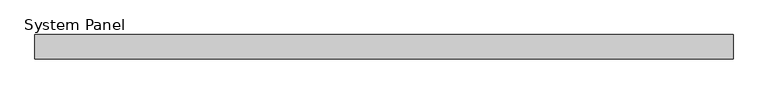
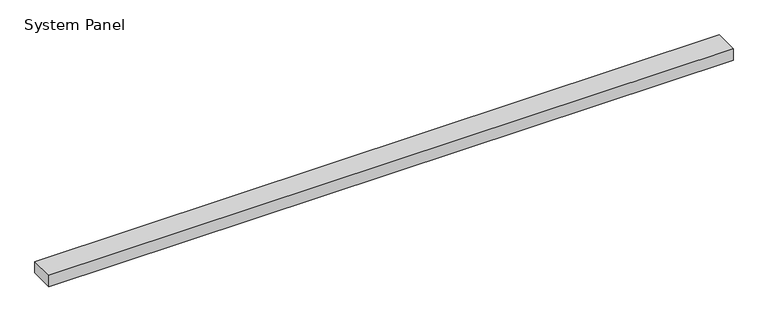
"""IFC4 building model written with IfcOpenShell, lengths in millimetres: plate geometry, System Panel."""

from ifc_helpers import new_model, si_unit, origin, origin_with_axes, place, context, project, spatial, polyline, outline, extrude, source, transform, mapped, element, save


def system_panel_e5ebe7db(model_context):
    return source(origin(), model_context, "Body", "SweptSolid", [
        extrude(outline(polyline([(570.0, 14.0), (-570.0, 14.0), (-570.0, 54.0), (570.0, 54.0), (570.0, 14.0)])), origin_with_axes(), (0.0, 0.0, 1.0), 20.0),
    ])


if __name__ == "__main__":
    model = new_model("IFC4")
    model_context = context("Model", 3, world=origin())
    ifc_project = project(units=[si_unit("LENGTHUNIT", "METRE", prefix="MILLI")], contexts=[model_context])
    site = spatial("IfcSite", under=ifc_project)
    building = spatial("IfcBuilding", under=site)
    placement = place(None, origin())
    system_panel_shape = system_panel_e5ebe7db(model_context)
    element("IfcPlate", 1, ObjectType="System Panel", at=placement, inside=building, context=model_context, shape_type="MappedRepresentation", body=[
        mapped(system_panel_shape, transform((0.0, 0.0, 0.0), x_axis=(1.0, 0.0, 0.0), y_axis=(0.0, 1.0, 0.0), z_axis=(0.0, 0.0, 1.0))),
    ])
    save(model, "model.ifc")
